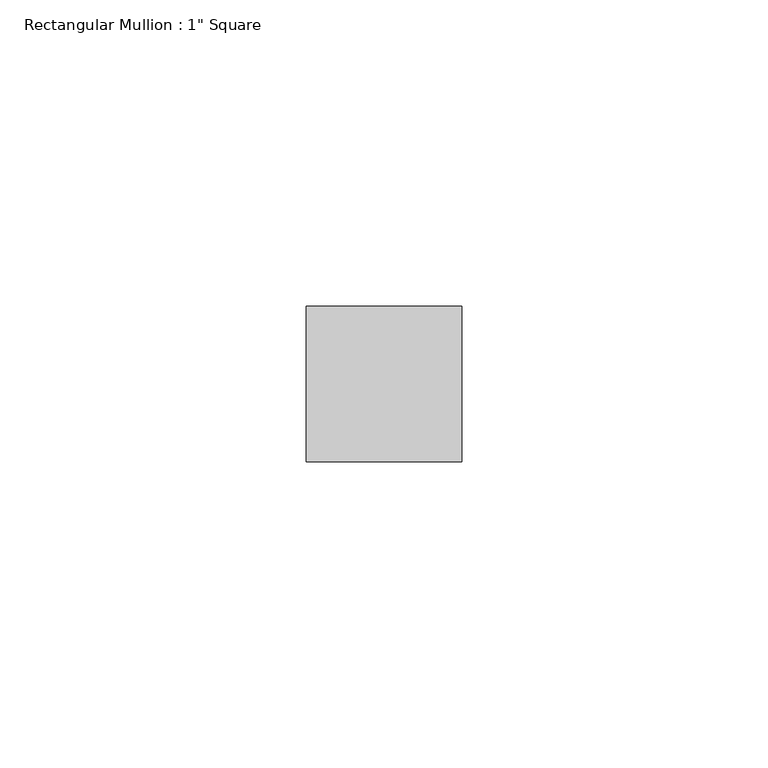
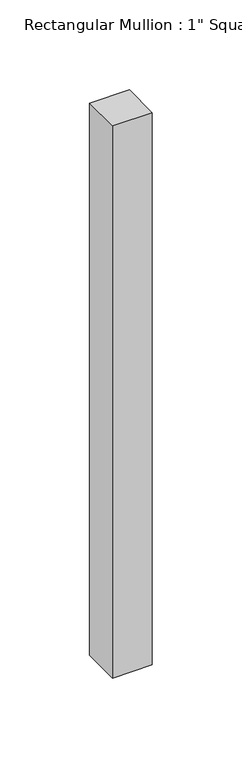
"""IFC4 building model written with IfcOpenShell, lengths in millimetres: member geometry."""

from ifc_helpers import new_model, si_unit, frame, origin, place, context, project, spatial, polyline, outline, extrude, source, transform, mapped, element, save


def member_34aa1075(model_context):
    return source(origin(), model_context, "Body", "SweptSolid", [
        extrude(outline(polyline([(0.0, 12.7), (0.0, -12.7), (-25.4, -12.7), (-25.4, 12.7), (0.0, 12.7)])), frame((0.0, 0.0, -374.65), z_axis=(0.0, 0.0, 1.0), x_axis=(1.0, 0.0, 0.0)), (0.0, 0.0, 1.0), 374.65),
    ])


if __name__ == "__main__":
    model = new_model("IFC4")
    model_context = context("Model", 3, world=origin())
    ifc_project = project(units=[si_unit("LENGTHUNIT", "METRE", prefix="MILLI")], contexts=[model_context])
    site = spatial("IfcSite", under=ifc_project)
    building = spatial("IfcBuilding", under=site)
    placement = place(None, origin())
    member_shape = member_34aa1075(model_context)
    element("IfcMember", 1, ObjectType="Rectangular Mullion : 1\" Square", at=placement, inside=building, context=model_context, shape_type="MappedRepresentation", body=[
        mapped(member_shape, transform((0.0, 0.0, 0.0), x_axis=(1.0, 0.0, 0.0), y_axis=(0.0, 1.0, 0.0), z_axis=(0.0, 0.0, 1.0))),
    ])
    save(model, "model.ifc")
